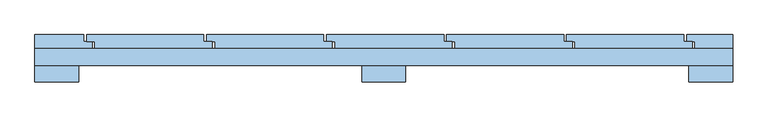
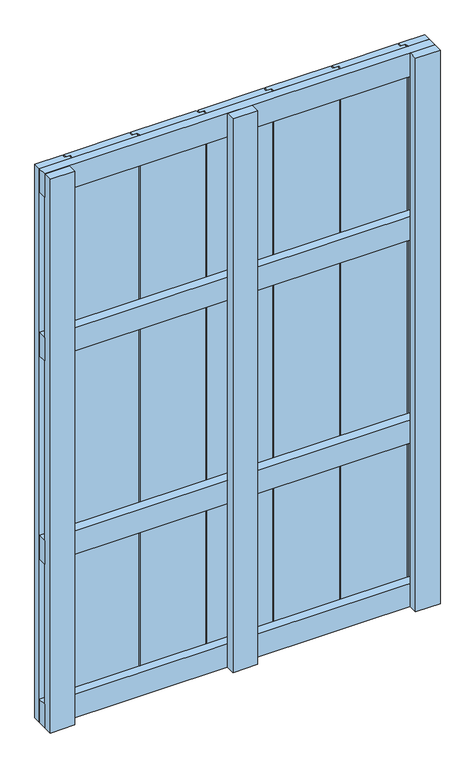
"""IFC4 building model written with IfcOpenShell, lengths in millimetres: window geometry."""

from ifc_helpers import new_model, si_unit, frame, origin, place, context, project, spatial, polyline, outline, extrude, source, transform, mapped, element, save


def window_eaf18388(model_context):
    return source(origin(), model_context, "Body", "SweptSolid", [
        extrude(outline(polyline([(500.0, 30.0), (500.0, 6.0), (-500.0, 6.0), (-500.0, 30.0), (500.0, 30.0)])), frame((0.0, 0.0, 1093.5), z_axis=(0.0, 0.0, 1.0), x_axis=(1.0, 0.0, 0.0)), (0.0, 0.0, 1.0), 63.0),
        extrude(outline(polyline([(500.0, 30.0), (500.0, 6.0), (-500.0, 6.0), (-500.0, 30.0), (500.0, 30.0)])), frame((0.0, 0.0, 543.5), z_axis=(0.0, 0.0, 1.0), x_axis=(1.0, 0.0, 0.0)), (0.0, 0.0, 1.0), 63.0),
        extrude(outline(polyline([(500.0, 30.0), (500.0, 6.0), (-500.0, 6.0), (-500.0, 30.0), (500.0, 30.0)])), frame((0.0, 0.0, 1537.0), z_axis=(0.0, 0.0, 1.0), x_axis=(1.0, 0.0, 0.0)), (0.0, 0.0, 1.0), 63.0),
        extrude(outline(polyline([(500.0, 30.0), (500.0, 6.0), (-500.0, 6.0), (-500.0, 30.0), (500.0, 30.0)])), frame((0.0, 0.0, 100.0), z_axis=(0.0, 0.0, 1.0), x_axis=(1.0, 0.0, 0.0)), (0.0, 0.0, 1.0), 63.0),
        extrude(outline(polyline([(-426.0, 50.0), (-258.0, 50.0), (-258.0, 40.0), (-246.0, 40.0), (-246.0, 30.0), (-414.0, 30.0), (-414.0, 40.0), (-426.0, 40.0), (-426.0, 50.0)])), frame((0.0, 0.0, 100.0), z_axis=(0.0, 0.0, 1.0), x_axis=(1.0, 0.0, 0.0)), (0.0, 0.0, 1.0), 1500.0),
        extrude(outline(polyline([(-254.0, 50.0), (-86.0, 50.0), (-86.0, 40.0), (-74.0, 40.0), (-74.0, 30.0), (-242.0, 30.0), (-242.0, 40.0), (-254.0, 40.0), (-254.0, 50.0)])), frame((0.0, 0.0, 100.0), z_axis=(0.0, 0.0, 1.0), x_axis=(1.0, 0.0, 0.0)), (0.0, 0.0, 1.0), 1500.0),
        extrude(outline(polyline([(-82.0, 50.0), (86.0, 50.0), (86.0, 40.0), (98.0, 40.0), (98.0, 30.0), (-70.0, 30.0), (-70.0, 40.0), (-82.0, 40.0), (-82.0, 50.0)])), frame((0.0, 0.0, 100.0), z_axis=(0.0, 0.0, 1.0), x_axis=(1.0, 0.0, 0.0)), (0.0, 0.0, 1.0), 1500.0),
        extrude(outline(polyline([(90.0, 50.0), (258.0, 50.0), (258.0, 40.0), (270.0, 40.0), (270.0, 30.0), (102.0, 30.0), (102.0, 40.0), (90.0, 40.0), (90.0, 50.0)])), frame((0.0, 0.0, 100.0), z_axis=(0.0, 0.0, 1.0), x_axis=(1.0, 0.0, 0.0)), (0.0, 0.0, 1.0), 1500.0),
        extrude(outline(polyline([(262.0, 50.0), (430.0, 50.0), (430.0, 40.0), (442.0, 40.0), (442.0, 30.0), (274.0, 30.0), (274.0, 40.0), (262.0, 40.0), (262.0, 50.0)])), frame((0.0, 0.0, 100.0), z_axis=(0.0, 0.0, 1.0), x_axis=(1.0, 0.0, 0.0)), (0.0, 0.0, 1.0), 1500.0),
        extrude(outline(polyline([(-500.0, 50.0), (-430.0, 50.0), (-430.0, 40.0), (-418.0, 40.0), (-418.0, 30.0), (-500.0, 30.0), (-500.0, 50.0)])), frame((0.0, 0.0, 100.0), z_axis=(0.0, 0.0, 1.0), x_axis=(1.0, 0.0, 0.0)), (0.0, 0.0, 1.0), 1500.0),
        extrude(outline(polyline([(434.0, 50.0), (500.0, 50.0), (500.0, 30.0), (446.0, 30.0), (446.0, 40.0), (434.0, 40.0), (434.0, 50.0)])), frame((0.0, 0.0, 100.0), z_axis=(0.0, 0.0, 1.0), x_axis=(1.0, 0.0, 0.0)), (0.0, 0.0, 1.0), 1500.0),
        extrude(outline(polyline([(-31.5, 6.1), (31.5, 6.1), (31.5, -17.9), (-31.5, -17.9), (-31.5, 6.1)])), frame((0.0, 0.0, 100.0), z_axis=(0.0, 0.0, 1.0), x_axis=(1.0, 0.0, 0.0)), (0.0, 0.0, 1.0), 1500.0),
        extrude(outline(polyline([(-500.0, 6.0), (-437.0, 6.0), (-437.0, -18.0), (-500.0, -18.0), (-500.0, 6.0)])), frame((0.0, 0.0, 100.0), z_axis=(0.0, 0.0, 1.0), x_axis=(1.0, 0.0, 0.0)), (0.0, 0.0, 1.0), 1500.0),
        extrude(outline(polyline([(437.0, 6.0), (500.0, 6.0), (500.0, -18.0), (437.0, -18.0), (437.0, 6.0)])), frame((0.0, 0.0, 100.0), z_axis=(0.0, 0.0, 1.0), x_axis=(1.0, 0.0, 0.0)), (0.0, 0.0, 1.0), 1500.0),
    ])


if __name__ == "__main__":
    model = new_model("IFC4")
    model_context = context("Model", 3, world=origin())
    ifc_project = project(units=[si_unit("LENGTHUNIT", "METRE", prefix="MILLI")], contexts=[model_context])
    site = spatial("IfcSite", under=ifc_project)
    building = spatial("IfcBuilding", under=site)
    placement = place(None, origin())
    window_shape = window_eaf18388(model_context)
    element("IfcWindow", 1, at=placement, inside=building, context=model_context, shape_type="MappedRepresentation", body=[
        mapped(window_shape, transform((0.0, 0.0, 0.0), x_axis=(1.0, 0.0, 0.0), y_axis=(0.0, 1.0, 0.0), z_axis=(0.0, 0.0, 1.0))),
    ])
    save(model, "model.ifc")
